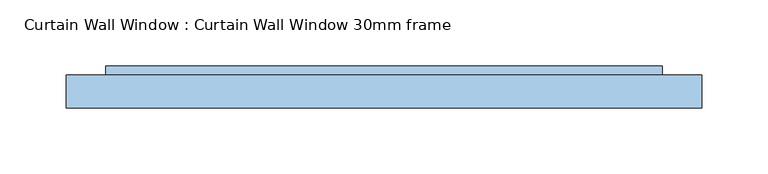
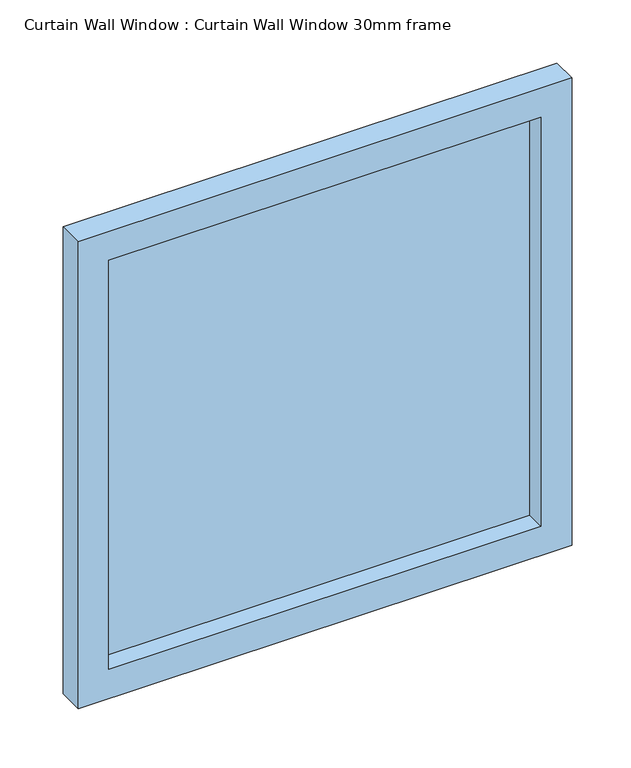
"""IFC4 building model written with IfcOpenShell, lengths in millimetres: window geometry, Curtain Wall Window : Curtain Wall Window 30mm frame."""

from ifc_helpers import new_model, si_unit, frame, origin, place, context, project, spatial, polyline, outline, extrude, source, transform, mapped, element, save


def curtain_wall_window_curtain_wall_window_30mm_frame_cb3cc136(model_context):
    return source(origin(), model_context, "Body", "SweptSolid", [
        extrude(outline(polyline([(210.4999959, 19.05), (-210.4999959, 19.05), (-210.4999959, 31.75), (210.4999959, 31.75), (210.4999959, 19.05)])), frame((0.0, 0.0, 30.0), z_axis=(0.0, 0.0, 1.0), x_axis=(1.0, 0.0, 0.0)), (0.0, 0.0, 1.0), 421.0),
        extrude(outline(polyline([(481.0, -240.4999959), (0.0, -240.4999959), (0.0, 240.4999959), (481.0, 240.4999959), (481.0, -240.4999959)]), holes=[polyline([(451.0, -210.4999959), (451.0, 210.4999959), (30.0, 210.4999959), (30.0, -210.4999959), (451.0, -210.4999959)])]), frame((0.0, 0.0, 0.0), z_axis=(0.0, 1.0, 0.0), x_axis=(0.0, 0.0, 1.0)), (0.0, 0.0, 1.0), 25.0),
    ])


if __name__ == "__main__":
    model = new_model("IFC4")
    model_context = context("Model", 3, world=origin())
    ifc_project = project(units=[si_unit("LENGTHUNIT", "METRE", prefix="MILLI")], contexts=[model_context])
    site = spatial("IfcSite", under=ifc_project)
    building = spatial("IfcBuilding", under=site)
    placement = place(None, origin())
    curtain_wall_window_curtain_wall_window_30mm_frame_shape = curtain_wall_window_curtain_wall_window_30mm_frame_cb3cc136(model_context)
    element("IfcWindow", 1, ObjectType="Curtain Wall Window : Curtain Wall Window 30mm frame", at=placement, inside=building, context=model_context, shape_type="MappedRepresentation", body=[
        mapped(curtain_wall_window_curtain_wall_window_30mm_frame_shape, transform((0.0, 0.0, 0.0), x_axis=(1.0, 0.0, 0.0), y_axis=(0.0, 1.0, 0.0), z_axis=(0.0, 0.0, 1.0))),
    ])
    save(model, "model.ifc")
